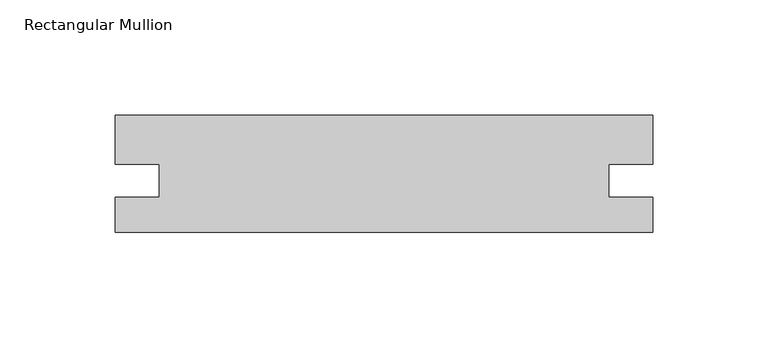
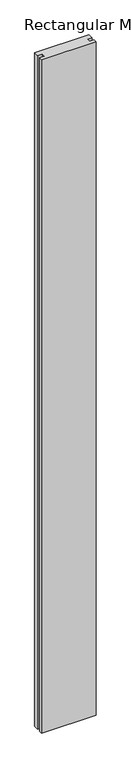
"""IFC4 building model written with IfcOpenShell, lengths in millimetres: member geometry, Rectangular Mullion."""

from ifc_helpers import new_model, si_unit, frame, origin, place, context, project, spatial, polyline, outline, extrude, source, transform, mapped, element, save


def rectangular_mullion_d4f5b30c(model_context):
    return source(origin(), model_context, "Body", "SweptSolid", [
        extrude(outline(polyline([(0.0, -49.8730333), (-233.3481209, -49.8730333), (-233.3481209, -34.7740033), (-214.3235209, -34.7740033), (-214.3235209, -20.4611099), (-233.3481196, -20.4611099), (-233.3481196, 0.9269667), (-1.3e-06, 0.9269667), (-1.3e-06, -20.4611099), (-19.0246, -20.4611099), (-19.0246, -34.7740033), (0.0, -34.7740033), (0.0, -49.8730333)])), frame((0.0, 0.0, -3048.0), z_axis=(0.0, 0.0, 1.0), x_axis=(1.0, 0.0, 0.0)), (0.0, 0.0, 1.0), 3048.0),
    ])


if __name__ == "__main__":
    model = new_model("IFC4")
    model_context = context("Model", 3, world=origin())
    ifc_project = project(units=[si_unit("LENGTHUNIT", "METRE", prefix="MILLI")], contexts=[model_context])
    site = spatial("IfcSite", under=ifc_project)
    building = spatial("IfcBuilding", under=site)
    placement = place(None, origin())
    rectangular_mullion_shape = rectangular_mullion_d4f5b30c(model_context)
    element("IfcMember", 1, ObjectType="Rectangular Mullion", at=placement, inside=building, context=model_context, shape_type="MappedRepresentation", body=[
        mapped(rectangular_mullion_shape, transform((0.0, 0.0, 0.0), x_axis=(1.0, 0.0, 0.0), y_axis=(0.0, 1.0, 0.0), z_axis=(0.0, 0.0, 1.0))),
    ])
    save(model, "model.ifc")
